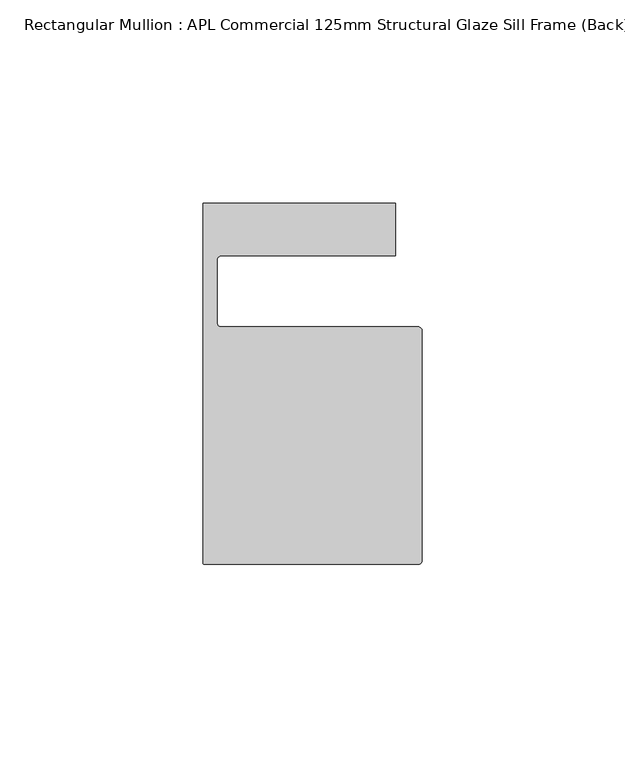
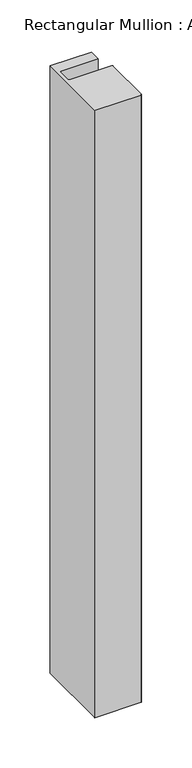
"""IFC4 building model written with IfcOpenShell, lengths in millimetres: member geometry, Rectangular Mullion : APL Commercial 125mm Structural Glaze Sill Frame (Back)."""

from ifc_helpers import new_model, si_unit, frame, origin, place, context, project, spatial, polyline, circle_curve, source, transform, mapped, element, save
from ifc_brep_helpers import plane_surface, cylinder_surface, revolved_surface, advanced_brep


def rectangular_mullion_apl_commercial_125mm_structural_glaze_76295424(model_context):
    return source(origin(), model_context, "Body", "AdvancedBrep", [
        advanced_brep(
        [(-53.5000029, -104.0, 0.0), (-1.0000025, -104.0, 0.0), (-2.5e-06, -103.0, 0.0), (0.0, -46.5010268, 0.0), (-1.0, -45.5010268, 0.0), (-49.5000004, -45.5010268, 0.0), (-50.5000004, -44.5010268, 0.0), (-50.5000029, -29.0004332, 0.0), (-49.5000029, -28.0004332, 0.0), (-6.5000029, -28.0004332, 0.0), (-6.5000029, -15.0004332, 0.0), (-54.0000029, -15.0004332, 0.0), (-54.0000029, -103.5, 0.0), (-53.5000029, -104.0, -737.3627514), (-54.0000029, -103.5, -737.3627514), (-54.0000029, -15.0004332, -737.3627514), (-6.5000029, -15.0004332, -737.3627514), (-6.5000029, -28.0004332, -737.3627514), (-49.5000029, -28.0004332, -737.3627514), (-50.5000029, -29.0004332, -737.3627514), (-50.5000029, -44.5010268, -737.3627514), (-49.5000004, -45.5010268, -737.3627514), (-1.0, -45.5010268, -737.3627514), (0.0, -46.5010268, -737.3627514), (0.0, -103.0, -737.3627514), (-1.0000025, -104.0, -737.3627514)],
        [
            (0, 1),
            (1, 2, circle_curve(frame((-1.0000025, -103.0, 0.0), z_axis=(0.0, 0.0, 1.0), x_axis=(0.9999999999996143, -8.78371761103865e-07, 0.0)), 1.0)),
            (2, 3),
            (3, 4, circle_curve(frame((-1.0, -46.5010268, 0.0), z_axis=(0.0, 0.0, 1.0), x_axis=(0.0, 1.0, 0.0)), 1.0)),
            (4, 5),
            (5, 6, circle_curve(frame((-49.5000004, -44.5010268, 0.0), z_axis=(0.0, 0.0, -1.0), x_axis=(-0.9999999999998819, -4.863123717036027e-07, 0.0)), 1.0)),
            (6, 7),
            (7, 8, circle_curve(frame((-49.5000029, -29.0004332, 0.0), z_axis=(0.0, 0.0, -1.0), x_axis=(0.0, 1.0, 0.0)), 1.0)),
            (8, 9),
            (9, 10),
            (10, 11),
            (11, 12),
            (12, 0, circle_curve(frame((-53.5000029, -103.5, 0.0), z_axis=(0.0, 0.0, 1.0), x_axis=(0.0, -1.0, 0.0)), 0.5)),
            (13, 14, circle_curve(frame((-53.5000029, -103.5, -737.3627514), z_axis=(0.0, 0.0, -1.0), x_axis=(0.0, -1.0, 0.0)), 0.5)),
            (14, 15),
            (15, 16),
            (16, 17),
            (17, 18),
            (18, 19, circle_curve(frame((-49.5000029, -29.0004332, -737.3627514), z_axis=(0.0, 0.0, 1.0), x_axis=(0.0, 1.0, 0.0)), 1.0)),
            (19, 20),
            (20, 21, circle_curve(frame((-49.5000004, -44.5010268, -737.3627514), z_axis=(0.0, 0.0, 1.0), x_axis=(-0.9999999999998819, -4.863123717036027e-07, 0.0)), 1.0)),
            (21, 22),
            (22, 23, circle_curve(frame((-1.0, -46.5010268, -737.3627514), z_axis=(0.0, 0.0, -1.0), x_axis=(0.0, 1.0, 0.0)), 1.0)),
            (23, 24),
            (24, 25, circle_curve(frame((-1.0000025, -103.0, -737.3627514), z_axis=(0.0, 0.0, -1.0), x_axis=(0.9999999999996143, -8.78371761103865e-07, 0.0)), 1.0)),
            (25, 13),
            (0, 13),
            (25, 1),
            (24, 2),
            (23, 3),
            (22, 4),
            (21, 5),
            (20, 6),
            (19, 7),
            (18, 8),
            (17, 9),
            (16, 10),
            (15, 11),
            (14, 12),
        ],
        [
            plane_surface(frame((0.0, -116.986179, 0.0), z_axis=(0.0, 0.0, 1.0), x_axis=(-1.0, 0.0, 0.0))),
            plane_surface(frame((0.0, -116.986179, -737.3627514), z_axis=(0.0, 0.0, -1.0), x_axis=(-1.0, 0.0, 0.0))),
            plane_surface(frame((-53.5000029, -104.0, 0.0), z_axis=(0.0, -1.0, 0.0), x_axis=(0.0, 0.0, -1.0))),
            cylinder_surface(frame((-1.0000025, -103.0, 0.0), z_axis=(0.0, 0.0, 1.0000000000000002), x_axis=(0.9999999999996143, -8.78371761103865e-07, 0.0)), 1.0),
            plane_surface(frame((0.0, -103.0, 0.0), z_axis=(1.0, 0.0, 0.0), x_axis=(0.0, 0.0, -1.0))),
            cylinder_surface(frame((-1.0, -46.5010268, 0.0), z_axis=(0.0, 0.0, 1.0), x_axis=(0.0, 1.0, 0.0)), 1.0),
            plane_surface(frame((-1.0, -45.5010268, 0.0), z_axis=(0.0, 1.0, 0.0), x_axis=(0.0, 0.0, -1.0))),
            revolved_surface(polyline([(-50.50000039999988, -44.50102728631237, -737.3627514000002), (-50.50000039999988, -44.50102728631237, 0.0)]), (-49.5000004, -44.5010268, 0.0), (0.0, 0.0, -1.0000000000000002)),
            plane_surface(frame((-50.5000029, -44.5010268, 0.0), z_axis=(1.0, 0.0, 0.0), x_axis=(0.0, 0.0, -1.0))),
            revolved_surface(polyline([(-49.5000029, -28.0004332, -737.3627514), (-49.5000029, -28.0004332, 0.0)]), (-49.5000029, -29.0004332, 0.0), (0.0, 0.0, -1.0)),
            plane_surface(frame((-49.5000029, -28.0004332, 0.0), z_axis=(0.0, -1.0, 0.0), x_axis=(0.0, 0.0, -1.0))),
            plane_surface(frame((-6.5000029, -28.0004332, 0.0), z_axis=(1.0, 0.0, 0.0), x_axis=(0.0, 0.0, -1.0))),
            plane_surface(frame((-6.5000029, -15.0004332, 0.0), z_axis=(0.0, 1.0, 0.0), x_axis=(0.0, 0.0, -1.0))),
            plane_surface(frame((-54.0000029, -15.0004332, 0.0), z_axis=(-1.0, 0.0, 0.0), x_axis=(0.0, 0.0, -1.0))),
            cylinder_surface(frame((-53.5000029, -103.5, 0.0), z_axis=(0.0, 0.0, 1.0), x_axis=(0.0, -1.0, 0.0)), 0.5),
        ],
        [
            (0, [[1, 2, 3, 4, 5, 6, 7, 8, 9, 10, 11, 12, 13]]),
            (1, [[14, 15, 16, 17, 18, 19, 20, 21, 22, 23, 24, 25, 26]]),
            (2, [[-1, 27, -26, 28]]),
            (3, [[-2, -28, -25, 29]]),
            (4, [[-3, -29, -24, 30]]),
            (5, [[-4, -30, -23, 31]]),
            (6, [[-5, -31, -22, 32]]),
            (7, [[-6, -32, -21, 33]]),
            (8, [[-7, -33, -20, 34]]),
            (9, [[-8, -34, -19, 35]]),
            (10, [[-9, -35, -18, 36]]),
            (11, [[-10, -36, -17, 37]]),
            (12, [[-11, -37, -16, 38]]),
            (13, [[-12, -38, -15, 39]]),
            (14, [[-13, -39, -14, -27]]),
        ],
    ),
    ])


if __name__ == "__main__":
    model = new_model("IFC4")
    model_context = context("Model", 3, world=origin())
    ifc_project = project(units=[si_unit("LENGTHUNIT", "METRE", prefix="MILLI")], contexts=[model_context])
    site = spatial("IfcSite", under=ifc_project)
    building = spatial("IfcBuilding", under=site)
    placement = place(None, origin())
    rectangular_mullion_apl_commercial_125mm_structural_glaze_shape = rectangular_mullion_apl_commercial_125mm_structural_glaze_76295424(model_context)
    element("IfcMember", 1, ObjectType="Rectangular Mullion : APL Commercial 125mm Structural Glaze Sill Frame (Back)", at=placement, inside=building, context=model_context, shape_type="MappedRepresentation", body=[
        mapped(rectangular_mullion_apl_commercial_125mm_structural_glaze_shape, transform((0.0, 0.0, 0.0), x_axis=(1.0, 0.0, 0.0), y_axis=(0.0, 1.0, 0.0), z_axis=(0.0, 0.0, 1.0))),
    ])
    save(model, "model.ifc")
